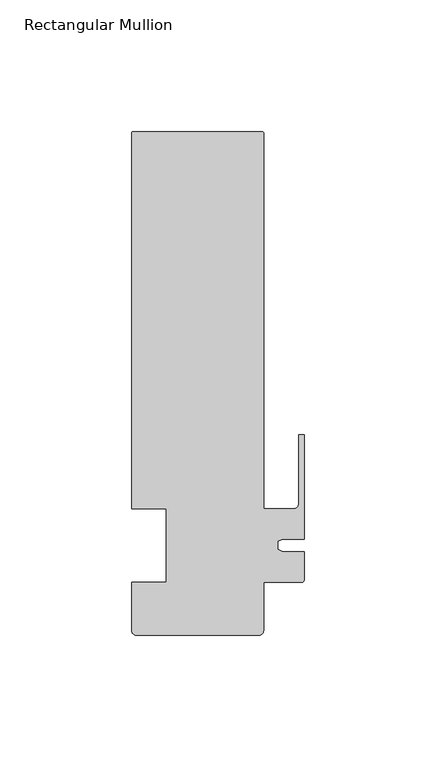
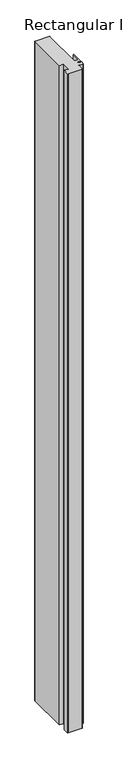
"""IFC4 building model written with IfcOpenShell, lengths in millimetres: member geometry, Rectangular Mullion."""

import ifcopenshell
import ifcopenshell.guid

model = None  # the IFC model being written
_history = None  # IfcOwnerHistory: only IFC2X3 demands one
_inside = {}  # id of a spatial element -> (the spatial element, [elements in it])
_under = {}  # id of a project, library or spatial element -> (it, [spatial elements below it])
_declared = {}  # id of a project -> (the project, [libraries it declares])
_typed = {}  # id of a type object -> (the type object, [elements of that type])
_made_of = {}  # id of a material, layer set ... -> (it, [elements and type objects made of it])


def new_model(schema):
    """Start an empty IFC model of exactly this schema.

    Asked for "IFC4X3", IfcOpenShell would pick the latest addendum, in which some entities
    have other attributes; the version numbers below select the first issue.
    IFC2X3 requires an IfcOwnerHistory on every rooted entity: one is made here for all.
    """
    global model, _history
    if schema == "IFC4X3":
        model = ifcopenshell.file(schema_version=(4, 3, 0, 0))
    else:
        model = ifcopenshell.file(schema=schema)
    _inside.clear()
    _under.clear()
    _declared.clear()
    _typed.clear()
    _made_of.clear()
    _history = None
    if model.schema == "IFC2X3":
        org = make("IfcOrganization", Name="unknown")
        user = make(
            "IfcPersonAndOrganization",
            ThePerson=make("IfcPerson", FamilyName="unknown"),
            TheOrganization=org,
        )
        app = make(
            "IfcApplication",
            ApplicationDeveloper=org,
            Version="unknown",
            ApplicationFullName="unknown",
            ApplicationIdentifier="unknown",
        )
        _history = make(
            "IfcOwnerHistory",
            OwningUser=user,
            OwningApplication=app,
            ChangeAction="ADDED",
            CreationDate=0,
        )
    return model


def make(cls, **values):
    """One entity of the class cls with the attributes given. An attribute that is None is left unset."""
    return model.create_entity(
        cls, **{name: value for name, value in values.items() if value is not None}
    )


def rooted(cls, **values):
    """An entity with a GlobalId (a new one), such as an element, a storey or a relation."""
    return make(cls, GlobalId=ifcopenshell.guid.new(), OwnerHistory=_history, **values)


def si_unit(unit_type, name, prefix=None):
    """IfcSIUnit, for example si_unit("LENGTHUNIT", "METRE", prefix="MILLI")."""
    return make("IfcSIUnit", UnitType=unit_type, Prefix=prefix, Name=name)


def assignment(units):
    """IfcUnitAssignment: the units of a project."""
    return None if units is None else make("IfcUnitAssignment", Units=units)


def point(xyz):
    """IfcCartesianPoint."""
    return None if xyz is None else make("IfcCartesianPoint", Coordinates=xyz)


def direction(xyz):
    """IfcDirection."""
    return None if xyz is None else make("IfcDirection", DirectionRatios=xyz)


def frame(location, z_axis=None, x_axis=None):
    """IfcAxis2Placement3D, a coordinate frame: its origin and axes. An axis left out is left unset."""
    return make(
        "IfcAxis2Placement3D",
        Location=point(location),
        Axis=direction(z_axis),
        RefDirection=direction(x_axis),
    )


def origin():
    """The frame at (0, 0, 0) with its axes left unset."""
    return frame((0.0, 0.0, 0.0))


def place(relative_to, where):
    """IfcLocalPlacement: puts the frame where relative to a parent placement (None: the world)."""
    return make(
        "IfcLocalPlacement", PlacementRelTo=relative_to, RelativePlacement=where
    )


def context(
    kind, dimensions, precision=None, world=None, true_north=None, identifier=None
):
    """IfcGeometricRepresentationContext, for example the 3D "Model" context."""
    return make(
        "IfcGeometricRepresentationContext",
        ContextIdentifier=identifier,
        ContextType=kind,
        CoordinateSpaceDimension=dimensions,
        Precision=precision,
        WorldCoordinateSystem=world,
        TrueNorth=true_north,
    )


def project(units=None, contexts=None):
    """IfcProject with its units and contexts."""
    return rooted(
        "IfcProject",
        Name="project",
        RepresentationContexts=contexts,
        UnitsInContext=assignment(units),
    )


def spatial(cls, under=None, at=None, **own):
    """A site, building, storey or space (cls), placed at a placement, below another one or the project."""
    s = rooted(cls, ObjectPlacement=at, **own)
    if under is not None:
        _under.setdefault(under.id(), (under, []))[1].append(s)
    return s


def polyline(points):
    """IfcPolyline through the points."""
    return make("IfcPolyline", Points=[point(p) for p in points])


def circle_curve(where, radius):
    """IfcCircle in the frame where."""
    return make("IfcCircle", Position=where, Radius=radius)


def shape(context_of_items, identifier, shape_type, items):
    """IfcShapeRepresentation: the items that make up one representation, for example the "Body"."""
    return make(
        "IfcShapeRepresentation",
        ContextOfItems=context_of_items,
        RepresentationIdentifier=identifier,
        RepresentationType=shape_type,
        Items=items,
    )


def source(mapping_origin, context_of_items, identifier, shape_type, items):
    """IfcRepresentationMap: a shape defined once, which mapped items show again and again."""
    return make(
        "IfcRepresentationMap",
        MappingOrigin=mapping_origin,
        MappedRepresentation=shape(context_of_items, identifier, shape_type, items),
    )


def transform(
    local_origin,
    x_axis=None,
    y_axis=None,
    z_axis=None,
    scale=None,
    scale2=None,
    scale3=None,
    uniform=True,
):
    """IfcCartesianTransformationOperator3D, or its non-uniform kind. x_axis, y_axis, z_axis: its Axis1, 2, 3."""
    if uniform:
        return make(
            "IfcCartesianTransformationOperator3D",
            Axis1=direction(x_axis),
            Axis2=direction(y_axis),
            LocalOrigin=point(local_origin),
            Scale=scale,
            Axis3=direction(z_axis),
        )
    return make(
        "IfcCartesianTransformationOperator3DnonUniform",
        Axis1=direction(x_axis),
        Axis2=direction(y_axis),
        LocalOrigin=point(local_origin),
        Scale=scale,
        Axis3=direction(z_axis),
        Scale2=scale2,
        Scale3=scale3,
    )


def mapped(mapping_source, mapping_target):
    """IfcMappedItem: shows the shape of a source again, moved by a transform."""
    return make(
        "IfcMappedItem", MappingSource=mapping_source, MappingTarget=mapping_target
    )


def made_of(thing, what):
    """Note that an element or type object is made of a material, layer set ...; save() writes the relation."""
    if what is not None:
        _made_of.setdefault(what.id(), (what, []))[1].append(thing)
    return thing


def element(
    cls,
    number,
    at=None,
    inside=None,
    cuts=None,
    type_object=None,
    material=None,
    context=None,
    identifier="Body",
    shape_type=None,
    held_by="IfcProductDefinitionShape",
    body=None,
    shapes=None,
    **own,
):
    """One element of the class cls, such as IfcWall. Its Tag is "e" and its number.

    at: its placement. inside: the storey or other place that contains it. cuts: it is an
    opening in that element (IfcRelVoidsElement). A single representation is given by context,
    identifier, shape_type and body (its items); several are given by shapes. held_by: the class
    of the entity that holds the representations. save() writes the other relations.
    """
    e = rooted(cls, Tag="e%d" % number, ObjectPlacement=at, **own)
    if body is not None:
        shapes = [shape(context, identifier, shape_type, body)]
    if shapes is not None:
        e.Representation = make(held_by, Representations=shapes)
    if inside is not None:
        _inside.setdefault(inside.id(), (inside, []))[1].append(e)
    if cuts is not None:
        rooted(
            "IfcRelVoidsElement", RelatingBuildingElement=cuts, RelatedOpeningElement=e
        )
    if type_object is not None:
        _typed.setdefault(type_object.id(), (type_object, []))[1].append(e)
    return made_of(e, material)


def aggregate(whole, parts):
    """IfcRelAggregates: a whole, such as a stair, and the parts it consists of."""
    return rooted("IfcRelAggregates", RelatingObject=whole, RelatedObjects=parts)


def save(model, path):
    """Write the relations noted so far, then the file.

    IfcRelAggregates (storeys below a building ...), IfcRelContainedInSpatialStructure (elements
    in a storey), IfcRelDefinesByType, IfcRelAssociatesMaterial and IfcRelDeclares: one each for
    every whole, place, type object, material and project.
    """
    for whole, parts in _under.values():
        aggregate(whole, parts)
    for where, things in _inside.values():
        rooted(
            "IfcRelContainedInSpatialStructure",
            RelatedElements=things,
            RelatingStructure=where,
        )
    for kind, things in _typed.values():
        rooted("IfcRelDefinesByType", RelatedObjects=things, RelatingType=kind)
    for what, things in _made_of.values():
        rooted("IfcRelAssociatesMaterial", RelatedObjects=things, RelatingMaterial=what)
    for by, libraries in _declared.values():
        rooted("IfcRelDeclares", RelatingContext=by, RelatedDefinitions=libraries)
    model.write(path)


def plane_surface(at):
    """IfcPlane: the flat surface through the origin of the frame at, square to its z axis."""
    return make("IfcPlane", Position=at)


def cylinder_surface(at, radius):
    """IfcCylindricalSurface: all points at the distance radius from the z axis of the frame at."""
    return make("IfcCylindricalSurface", Position=at, Radius=radius)


def revolved_surface(curve, axis_point, axis_direction):
    """IfcSurfaceOfRevolution: the curve turned about the line through axis_point along axis_direction."""
    return make(
        "IfcSurfaceOfRevolution",
        SweptCurve=make("IfcArbitraryOpenProfileDef", ProfileType="CURVE", Curve=curve),
        AxisPosition=make("IfcAxis1Placement", Location=point(axis_point), Axis=direction(axis_direction)),
    )


def advanced_brep(points, edges, surfaces, faces):
    """IfcAdvancedBrep: a solid bounded by faces that lie on surfaces and meet in shared edges.

    An edge is (start, end): straight between two places in points (the first is 0);
    or (start, end, curve); or (start, end, curve, False) where it runs against its curve.
    A face is (place in surfaces, loops), or (place, loops, False) where it looks against
    its surface's normal. A loop lists edges by number (the first is 1), with a minus sign
    where the edge is run from its end to its start. The first loop is the outer one.
    """
    corners = [point(p) for p in points]
    vertices = [make("IfcVertexPoint", VertexGeometry=c) for c in corners]
    made = []
    for start, end, *more in edges:
        made.append(
            make(
                "IfcEdgeCurve",
                EdgeStart=vertices[start],
                EdgeEnd=vertices[end],
                EdgeGeometry=more[0] if more else make("IfcPolyline", Points=[corners[start], corners[end]]),
                SameSense=more[1] if len(more) > 1 else True,
            )
        )
    hull = []
    for where, loops, *sense in faces:
        bounds = []
        for j, loop in enumerate(loops):
            ring = [make("IfcOrientedEdge", EdgeElement=made[abs(k) - 1], Orientation=k > 0) for k in loop]
            bounds.append(
                make(
                    "IfcFaceOuterBound" if j == 0 else "IfcFaceBound",
                    Bound=make("IfcEdgeLoop", EdgeList=ring),
                    Orientation=True,
                )
            )
        hull.append(make("IfcAdvancedFace", Bounds=bounds, FaceSurface=surfaces[where], SameSense=sense[0] if sense else True))
    return make("IfcAdvancedBrep", Outer=make("IfcClosedShell", CfsFaces=hull))


def rectangular_mullion_6256a007(model_context):
    return source(origin(), model_context, "Body", "AdvancedBrep", [
        advanced_brep(
        [(-15.9119017, 157.000001, 0.0), (-64.9119017, 157.000001, 0.0), (-65.4119017, 156.500001, 0.0), (-65.4119017, 14.0, 0.0), (-52.4119017, 14.0, 0.0), (-52.4119017, -14.0, 0.0), (-65.4119018, -14.0, 0.0), (-65.4119018, -32.3824565, 0.0), (-63.7943593, -33.999999, 0.0), (-16.9850595, -33.999999, 0.0), (-15.4119016, -32.4268412, 0.0), (-15.4119016, -14.0, 0.0), (-1.0000001, -14.0, 0.0), (0.0, -12.9950012, 0.0), (0.0, -2.3717384, 0.0), (-8.0873177, -2.3717384, 0.0), (-9.9999999, -1.4798401, 0.0), (-9.9999999, 1.5598311, 0.0), (-8.1376447, 2.4282616, 0.0), (0.0, 2.4282616, 0.0), (0.0, 42.000001, 0.0), (-2.0000001, 42.000001, 0.0), (-2.0000001, 16.0000006, 0.0), (-4.0, 14.0000007, 0.0), (-15.4119017, 14.0, 0.0), (-15.4119017, 156.500001, 0.0), (-15.9119017, 157.000001, -2352.9080722), (-15.4119017, 156.500001, -2352.9080722), (-15.4119017, 14.0, -2352.9080722), (-4.0000001, 14.0, -2352.9080722), (-2.0000001, 16.0000006, -2352.9080722), (-2.0000001, 42.000001, -2352.9080722), (0.0, 42.000001, -2352.9080722), (0.0, 2.4282616, -2352.9080722), (-8.1376447, 2.4282616, -2352.9080722), (-9.9999999, 1.5598311, -2352.9080722), (-9.9999999, -1.4798401, -2352.9080722), (-8.0873177, -2.3717384, -2352.9080722), (0.0, -2.3717384, -2352.9080722), (0.0, -12.9950012, -2352.9080722), (-1.0000001, -13.9950013, -2352.9080722), (-15.4119016, -14.0, -2352.9080722), (-15.4119016, -32.4268412, -2352.9080722), (-16.9850595, -33.999999, -2352.9080722), (-63.7943593, -33.999999, -2352.9080722), (-65.4119018, -32.3824565, -2352.9080722), (-65.4119018, -14.0, -2352.9080722), (-52.4119017, -14.0, -2352.9080722), (-52.4119017, 14.0, -2352.9080722), (-65.4119017, 14.0, -2352.9080722), (-65.4119017, 156.500001, -2352.9080722), (-64.9119017, 157.000001, -2352.9080722)],
        [
            (0, 1),
            (1, 2, circle_curve(frame((-64.9119017, 156.500001, 0.0), z_axis=(0.0, 0.0, 1.0), x_axis=(1.0, 0.0, 0.0)), 0.5)),
            (2, 3),
            (3, 4),
            (4, 5),
            (5, 6),
            (6, 7),
            (7, 8, circle_curve(frame((-63.7943593, -32.3824565, 0.0), z_axis=(0.0, 0.0, 1.0), x_axis=(1.0, 0.0, 0.0)), 1.6175425)),
            (8, 9),
            (9, 10, circle_curve(frame((-16.9850595, -32.4268412, 0.0), z_axis=(0.0, 0.0, 1.0), x_axis=(1.0, 0.0, 0.0)), 1.5731578)),
            (10, 11),
            (11, 12),
            (12, 13, circle_curve(frame((-1.0000001, -12.9950012, 0.0), z_axis=(0.0, 0.0, 1.0), x_axis=(1.0, 0.0, 0.0)), 1.0000001)),
            (13, 14),
            (14, 15),
            (15, 16),
            (16, 17),
            (17, 18),
            (18, 19),
            (19, 20),
            (20, 21),
            (21, 22),
            (22, 23, circle_curve(frame((-4.0, 16.0000006, 0.0), z_axis=(0.0, 0.0, -1.0), x_axis=(1.0, 0.0, 0.0)), 1.9999999)),
            (23, 24),
            (24, 25),
            (25, 0, circle_curve(frame((-15.9119017, 156.500001, 0.0), z_axis=(0.0, 0.0, 1.0), x_axis=(1.0, 0.0, 0.0)), 0.5)),
            (26, 27, circle_curve(frame((-15.9119017, 156.500001, -2352.9080722), z_axis=(0.0, 0.0, -1.0), x_axis=(1.0, 0.0, 0.0)), 0.5)),
            (27, 28),
            (28, 29),
            (29, 30, circle_curve(frame((-4.0, 16.0000006, -2352.9080722), z_axis=(0.0, 0.0, 1.0), x_axis=(1.0, 0.0, 0.0)), 1.9999999)),
            (30, 31),
            (31, 32),
            (32, 33),
            (33, 34),
            (34, 35),
            (35, 36),
            (36, 37),
            (37, 38),
            (38, 39),
            (39, 40, circle_curve(frame((-1.0000001, -12.9950012, -2352.9080722), z_axis=(0.0, 0.0, -1.0), x_axis=(1.0, 0.0, 0.0)), 1.0000001)),
            (40, 41),
            (41, 42),
            (42, 43, circle_curve(frame((-16.9850595, -32.4268412, -2352.9080722), z_axis=(0.0, 0.0, -1.0), x_axis=(1.0, 0.0, 0.0)), 1.5731578)),
            (43, 44),
            (44, 45, circle_curve(frame((-63.7943593, -32.3824565, -2352.9080722), z_axis=(0.0, 0.0, -1.0), x_axis=(1.0, 0.0, 0.0)), 1.6175425)),
            (45, 46),
            (46, 47),
            (47, 48),
            (48, 49),
            (49, 50),
            (50, 51, circle_curve(frame((-64.9119017, 156.500001, -2352.9080722), z_axis=(0.0, 0.0, -1.0), x_axis=(1.0, 0.0, 0.0)), 0.5)),
            (51, 26),
            (0, 26),
            (51, 1),
            (50, 2),
            (49, 3),
            (48, 4),
            (47, 5),
            (46, 6),
            (45, 7),
            (44, 8),
            (43, 9),
            (42, 10),
            (41, 11),
            (40, 12),
            (39, 13),
            (38, 14),
            (37, 15),
            (36, 16),
            (35, 17),
            (34, 18),
            (33, 19),
            (32, 20),
            (31, 21),
            (30, 22),
            (29, 23),
            (28, 24),
            (27, 25),
        ],
        [
            plane_surface(frame((0.0, -169.8900149, 0.0), z_axis=(0.0, 0.0, 1.0), x_axis=(-1.0, 0.0, 0.0))),
            plane_surface(frame((0.0, -169.8900149, -2352.9080722), z_axis=(0.0, 0.0, -1.0), x_axis=(-1.0, 0.0, 0.0))),
            plane_surface(frame((-15.9119017, 157.000001, 0.0), z_axis=(0.0, 1.0, 0.0), x_axis=(0.0, 0.0, -1.0))),
            cylinder_surface(frame((-64.9119017, 156.500001, 0.0), z_axis=(0.0, 0.0, 1.0), x_axis=(1.0, 0.0, 0.0)), 0.5),
            plane_surface(frame((-65.4119017, 156.500001, 0.0), z_axis=(-1.0, 0.0, 0.0), x_axis=(0.0, 0.0, -1.0))),
            plane_surface(frame((-65.4119017, 14.0, 0.0), z_axis=(0.0, -1.0, 0.0), x_axis=(0.0, 0.0, -1.0))),
            plane_surface(frame((-52.4119017, 14.0, 0.0), z_axis=(-1.0, 0.0, 0.0), x_axis=(0.0, 0.0, -1.0))),
            plane_surface(frame((-52.4119017, -14.0, 0.0), z_axis=(0.0, 1.0, 0.0), x_axis=(0.0, 0.0, -1.0))),
            plane_surface(frame((-65.4119018, -14.0, 0.0), z_axis=(-1.0, 0.0, 0.0), x_axis=(0.0, 0.0, -1.0))),
            cylinder_surface(frame((-63.7943593, -32.3824565, 0.0), z_axis=(0.0, 0.0, 1.0), x_axis=(1.0, 0.0, 0.0)), 1.6175425),
            plane_surface(frame((-63.7943593, -33.999999, 0.0), z_axis=(0.0, -1.0, 0.0), x_axis=(0.0, 0.0, -1.0))),
            cylinder_surface(frame((-16.9850595, -32.4268412, 0.0), z_axis=(0.0, 0.0, 1.0), x_axis=(1.0, 0.0, 0.0)), 1.5731578),
            plane_surface(frame((-15.4119016, -32.4268412, 0.0), z_axis=(1.0, 0.0, 0.0), x_axis=(0.0, 0.0, -1.0))),
            plane_surface(frame((-15.4119016, -14.0, 0.0), z_axis=(0.0, -1.0, 0.0), x_axis=(0.0, 0.0, -1.0))),
            cylinder_surface(frame((-1.0000001, -12.9950012, 0.0), z_axis=(0.0, 0.0, 1.0), x_axis=(1.0, 0.0, 0.0)), 1.0000001),
            plane_surface(frame((0.0, -12.9950012, 0.0), z_axis=(1.0, 0.0, 0.0), x_axis=(0.0, 0.0, -1.0))),
            plane_surface(frame((0.0, -2.3717384, 0.0), z_axis=(0.0, 1.0, 0.0), x_axis=(0.0, 0.0, -1.0))),
            plane_surface(frame((-8.0873177, -2.3717384, 0.0), z_axis=(0.42261826174182476, 0.9063077870361252, 0.0), x_axis=(0.0, 0.0, -1.0))),
            plane_surface(frame((-9.9999999, -1.4798401, 0.0), z_axis=(1.0, 0.0, 0.0), x_axis=(0.0, 0.0, -1.0))),
            plane_surface(frame((-9.9999999, 1.5598311, 0.0), z_axis=(0.4226182617404111, -0.9063077870367845, 0.0), x_axis=(0.0, 0.0, -1.0))),
            plane_surface(frame((-8.1376447, 2.4282616, 0.0), z_axis=(0.0, -1.0, 0.0), x_axis=(0.0, 0.0, -1.0))),
            plane_surface(frame((0.0, 2.4282616, 0.0), z_axis=(1.0, 0.0, 0.0), x_axis=(0.0, 0.0, -1.0))),
            plane_surface(frame((0.0, 42.000001, 0.0), z_axis=(0.0, 1.0, 0.0), x_axis=(0.0, 0.0, -1.0))),
            plane_surface(frame((-2.0000001, 42.000001, 0.0), z_axis=(-1.0, 0.0, 0.0), x_axis=(0.0, 0.0, -1.0))),
            revolved_surface(polyline([(-2.0000001000000003, 16.0000006, -2352.9080722), (-2.0000001000000003, 16.0000006, 0.0)]), (-4.0, 16.0000006, 0.0), (0.0, 0.0, -1.0)),
            plane_surface(frame((-4.0000001, 14.0, 0.0), z_axis=(0.0, 1.0, 0.0), x_axis=(0.0, 0.0, -1.0))),
            plane_surface(frame((-15.4119017, 14.0, 0.0), z_axis=(1.0, 0.0, 0.0), x_axis=(0.0, 0.0, -1.0))),
            cylinder_surface(frame((-15.9119017, 156.500001, 0.0), z_axis=(0.0, 0.0, 1.0), x_axis=(1.0, 0.0, 0.0)), 0.5),
        ],
        [
            (0, [[1, 2, 3, 4, 5, 6, 7, 8, 9, 10, 11, 12, 13, 14, 15, 16, 17, 18, 19, 20, 21, 22, 23, 24, 25, 26]]),
            (1, [[27, 28, 29, 30, 31, 32, 33, 34, 35, 36, 37, 38, 39, 40, 41, 42, 43, 44, 45, 46, 47, 48, 49, 50, 51, 52]]),
            (2, [[-1, 53, -52, 54]]),
            (3, [[-2, -54, -51, 55]]),
            (4, [[-3, -55, -50, 56]]),
            (5, [[-4, -56, -49, 57]]),
            (6, [[-5, -57, -48, 58]]),
            (7, [[-6, -58, -47, 59]]),
            (8, [[-7, -59, -46, 60]]),
            (9, [[-8, -60, -45, 61]]),
            (10, [[-9, -61, -44, 62]]),
            (11, [[-10, -62, -43, 63]]),
            (12, [[-11, -63, -42, 64]]),
            (13, [[-12, -64, -41, 65]]),
            (14, [[-13, -65, -40, 66]]),
            (15, [[-14, -66, -39, 67]]),
            (16, [[-15, -67, -38, 68]]),
            (17, [[-16, -68, -37, 69]]),
            (18, [[-17, -69, -36, 70]]),
            (19, [[-18, -70, -35, 71]]),
            (20, [[-19, -71, -34, 72]]),
            (21, [[-20, -72, -33, 73]]),
            (22, [[-21, -73, -32, 74]]),
            (23, [[-22, -74, -31, 75]]),
            (24, [[-23, -75, -30, 76]]),
            (25, [[-24, -76, -29, 77]]),
            (26, [[-25, -77, -28, 78]]),
            (27, [[-26, -78, -27, -53]]),
        ],
    ),
    ])


if __name__ == "__main__":
    model = new_model("IFC4")
    model_context = context("Model", 3, world=origin())
    ifc_project = project(units=[si_unit("LENGTHUNIT", "METRE", prefix="MILLI")], contexts=[model_context])
    site = spatial("IfcSite", under=ifc_project)
    building = spatial("IfcBuilding", under=site)
    placement = place(None, origin())
    rectangular_mullion_shape = rectangular_mullion_6256a007(model_context)
    element("IfcMember", 1, ObjectType="Rectangular Mullion", at=placement, inside=building, context=model_context, shape_type="MappedRepresentation", body=[
        mapped(rectangular_mullion_shape, transform((0.0, 0.0, 0.0), x_axis=(1.0, 0.0, 0.0), y_axis=(0.0, 1.0, 0.0), z_axis=(0.0, 0.0, 1.0))),
    ])
    save(model, "model.ifc")
